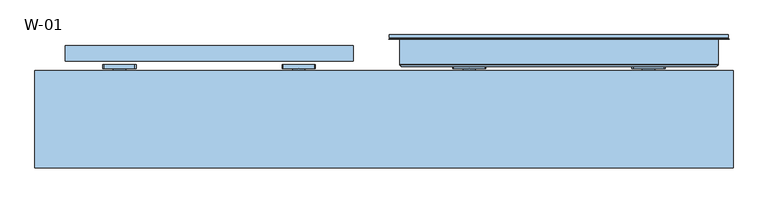
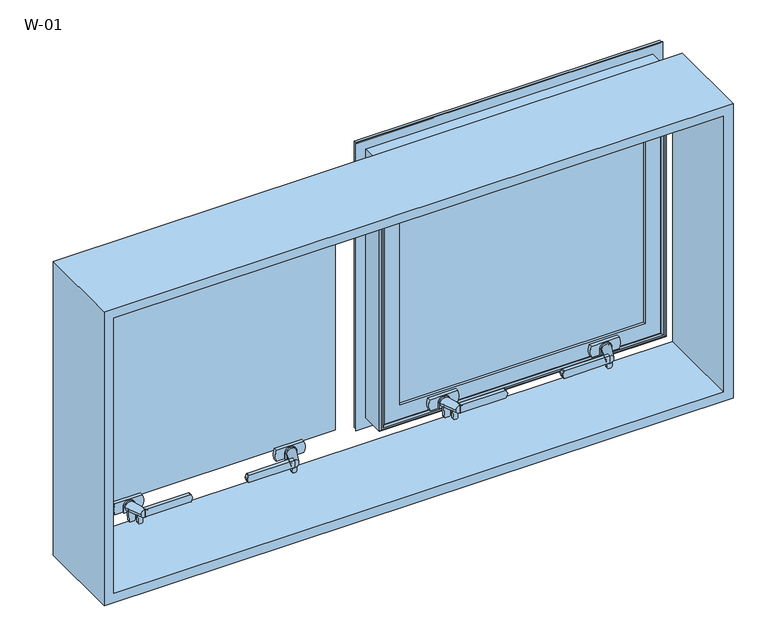
"""IFC4 building model written with IfcOpenShell, lengths in millimetres: window geometry, W-01."""

from ifc_helpers import new_model, si_unit, point, frame, frame_2d, origin, place, context, project, spatial, polyline, circle_curve, ellipse_curve, trimmed, segment, composite_curve, outline, extrude, source, transform, mapped, element, save
from ifc_brep_helpers import plane_surface, cylinder_surface, revolved_surface, spline_surface, advanced_brep


def w_01_85931f6c(model_context):
    return source(origin(), model_context, "Body", "SolidModel", [
        extrude(outline(polyline([(542.499811, 81.9927198), (52.6411352, 81.9927198), (52.6411352, 107.9927198), (542.499811, 107.9927198), (542.499811, 81.9927198)])), frame((0.0, 0.0, 1457.6411349), z_axis=(0.0, 0.0, 1.0), x_axis=(1.0, 0.0, 0.0)), (0.0, 0.0, 1.0), 484.7177303),
        extrude(outline(polyline([(1993.8, 593.8), (1993.8, -593.8), (1406.2, -593.8), (1406.2, 593.8), (1993.8, 593.8)]), holes=[polyline([(1424.7, 575.3), (1424.7, -575.3), (1975.3, -575.3), (1975.3, 575.3), (1424.7, 575.3)])]), frame((0.0, -100.0, 0.0), z_axis=(0.0, 1.0, 0.0), x_axis=(0.0, 0.0, 1.0)), (0.0, 0.0, 1.0), 165.9999813),
        extrude(outline(polyline([(-52.6410974, 81.9927198), (-542.3588256, 81.9927198), (-542.3588256, 107.9927198), (-52.6410974, 107.9927198), (-52.6410974, 81.9927198)])), frame((0.0, 0.0, 1457.6411349), z_axis=(0.0, 0.0, 1.0), x_axis=(1.0, 0.0, 0.0)), (0.0, 0.0, 1.0), 484.7177303),
        advanced_brep(
        [(65.6, 115.322822, 1929.3588651), (67.7424966, 107.9927198, 1927.2163686), (67.7424966, 107.9927198, 1472.7836314), (65.6, 115.322822, 1470.6411349), (65.6, 126.5999122, 1929.3588651), (65.6, 126.5999122, 1470.6411349), (45.6, 107.9927198, 1949.3588651), (45.6, 126.5999122, 1949.3588651), (45.6, 126.5999122, 1450.6411349), (45.6, 107.9927198, 1450.6411349), (527.2575034, 107.9927198, 1472.7836314), (529.4, 115.322822, 1470.6411349), (529.4, 126.5999122, 1470.6411349), (549.4, 126.5999122, 1450.6411349), (549.4, 107.9927198, 1450.6411349), (527.2575034, 107.9927198, 1927.2163686), (529.4, 115.322822, 1929.3588651), (529.4, 126.5999122, 1929.3588651), (549.4, 126.5999122, 1949.3588651), (549.4, 107.9927198, 1949.3588651)],
        [
            (0, 1, ellipse_curve(frame((85.2074117, 117.0756581, 1909.7514534), z_axis=(0.7071067811865475, 0.0, 0.7071067811865475), x_axis=(0.7071067811865474, 0.0, -0.7071067811865476)), 27.839649, 19.6856046)),
            (1, 2),
            (2, 3, ellipse_curve(frame((85.2074117, 117.0756581, 1490.2485466), z_axis=(0.7071067811865475, 0.0, -0.7071067811865475), x_axis=(-0.7071067811865474, 0.0, -0.7071067811865476)), 27.839649, 19.6856046)),
            (3, 0),
            (4, 0),
            (3, 5),
            (5, 4),
            (6, 7),
            (7, 8),
            (8, 9),
            (9, 6),
            (2, 10),
            (10, 11, ellipse_curve(frame((509.7925883, 117.0756581, 1490.2485466), z_axis=(0.7071067811865475, 0.0, 0.7071067811865475), x_axis=(0.7071067811865476, 0.0, -0.7071067811865474)), 27.839649, 19.6856046)),
            (11, 3),
            (11, 12),
            (12, 5),
            (8, 13),
            (13, 14),
            (14, 9),
            (10, 15),
            (15, 16, ellipse_curve(frame((509.7925883, 117.0756581, 1909.7514534), z_axis=(-0.7071067811865475, 0.0, 0.7071067811865475), x_axis=(0.7071067811865474, 0.0, 0.7071067811865476)), 27.839649, 19.6856046)),
            (16, 11),
            (16, 17),
            (17, 12),
            (13, 18),
            (18, 19),
            (19, 14),
            (19, 6),
            (1, 15),
            (0, 16),
            (4, 17),
            (7, 18),
        ],
        [
            revolved_surface(polyline([(65.52180709999999, 117.0756581, 1470.5629420062469), (65.52180709999999, 117.0756581, 1929.4370579937533)]), (85.2074117, 117.0756581, 1949.3588651), (0.0, 0.0, -1.0)),
            plane_surface(frame((65.6, 115.322822, 1929.3588651), z_axis=(1.0, 0.0, 0.0), x_axis=(0.0, 0.0, -1.0))),
            plane_surface(frame((45.6, 126.5999122, 1949.3588651), z_axis=(-1.0, 0.0, 0.0), x_axis=(0.0, 0.0, -1.0))),
            revolved_surface(polyline([(529.4781928937532, 117.0756581, 1470.562942), (65.52180710624671, 117.0756581, 1470.562942)]), (45.6, 117.0756581, 1490.2485466), (1.0, 0.0, 0.0)),
            plane_surface(frame((65.6, 115.322822, 1470.6411349), z_axis=(0.0, 0.0, 1.0), x_axis=(1.0, 0.0, 0.0))),
            plane_surface(frame((45.6, 126.5999122, 1450.6411349), z_axis=(0.0, 0.0, -1.0), x_axis=(1.0, 0.0, 0.0))),
            revolved_surface(polyline([(529.4781929, 117.0756581, 1929.4370579937531), (529.4781929, 117.0756581, 1470.5629420062469)]), (509.7925883, 117.0756581, 1450.6411349), (0.0, 0.0, 1.0)),
            plane_surface(frame((529.4, 115.322822, 1470.6411349), z_axis=(-1.0, 0.0, 0.0), x_axis=(0.0, 0.0, 1.0))),
            plane_surface(frame((549.4, 126.5999122, 1450.6411349), z_axis=(1.0, 0.0, 0.0), x_axis=(0.0, 0.0, 1.0))),
            plane_surface(frame((549.4, 107.9927198, 1949.3588651), z_axis=(0.0, -1.0, 0.0), x_axis=(-1.0, 0.0, 0.0))),
            revolved_surface(polyline([(65.52180710624668, 117.0756581, 1929.437058), (529.4781928937532, 117.0756581, 1929.437058)]), (549.4, 117.0756581, 1909.7514534), (-1.0, 0.0, 0.0)),
            plane_surface(frame((529.4, 115.322822, 1929.3588651), z_axis=(0.0, 0.0, -1.0), x_axis=(-1.0, 0.0, 0.0))),
            plane_surface(frame((529.4, 126.5999122, 1929.3588651), z_axis=(0.0, 1.0, 0.0), x_axis=(-1.0, 0.0, 0.0))),
            plane_surface(frame((549.4, 126.5999122, 1949.3588651), z_axis=(0.0, 0.0, 1.0), x_axis=(-1.0, 0.0, 0.0))),
        ],
        [
            (0, [[1, 2, 3, 4]]),
            (1, [[5, -4, 6, 7]]),
            (2, [[8, 9, 10, 11]]),
            (3, [[-3, 12, 13, 14]]),
            (4, [[-6, -14, 15, 16]]),
            (5, [[-10, 17, 18, 19]]),
            (6, [[-13, 20, 21, 22]]),
            (7, [[-15, -22, 23, 24]]),
            (8, [[-18, 25, 26, 27]]),
            (9, [[-19, -27, 28, -11], [29, -20, -12, -2]]),
            (10, [[-21, -29, -1, 30]]),
            (11, [[-23, -30, -5, 31]]),
            (12, [[32, -25, -17, -9], [-16, -24, -31, -7]]),
            (13, [[-26, -32, -8, -28]]),
        ],
    ),
        extrude(outline(composite_curve([segment(polyline([(1431.7, 441.567995), (1431.7, 444.432005)]), True, "CONTINUOUS"), segment(trimmed(circle_curve(frame_2d((1434.7, 444.432005)), 3.0), [point((1431.7, 444.432005))], [point((1434.5429921, 447.4278936))], False, "CARTESIAN"), True, "CONTINUOUS"), segment(polyline([(1434.5429921, 447.4278936), (1455.0, 448.5), (1455.0, 437.5), (1434.5429921, 438.5721064)]), True, "CONTINUOUS"), segment(trimmed(circle_curve(frame_2d((1434.7, 441.567995)), 3.0), [point((1434.5429921, 438.5721064))], [point((1431.7, 441.567995))], False, "CARTESIAN"), True, "CONTINUOUS")], self_intersect=False)), frame((0.0, 42.4999039, 0.0), z_axis=(0.0, 1.0, 0.0), x_axis=(0.0, 0.0, 1.0)), (0.0, 0.0, 1.0), 4.9),
        extrude(outline(composite_curve([segment(polyline([(1427.7, 446.2776261), (1427.7, 451.7223739)]), True, "CONTINUOUS"), segment(trimmed(circle_curve(frame_2d((1430.7, 451.7223739)), 3.0), [point((1427.7, 451.7223739))], [point((1430.5429921, 454.7182625))], False, "CARTESIAN"), True, "CONTINUOUS"), segment(polyline([(1430.5429921, 454.7182625), (1455.0, 456.0), (1455.0, 442.0), (1430.5429921, 443.2817375)]), True, "CONTINUOUS"), segment(trimmed(circle_curve(frame_2d((1430.7, 446.2776261)), 3.0), [point((1430.5429921, 443.2817375))], [point((1427.7, 446.2776261))], False, "CARTESIAN"), True, "CONTINUOUS")], self_intersect=False)), frame((0.0, 59.2999039, 0.0), z_axis=(0.0, 1.0, 0.0), x_axis=(0.0, 0.0, 1.0)), (0.0, 0.0, 1.0), 5.3),
        extrude(outline(composite_curve([segment(trimmed(circle_curve(frame_2d((1460.2, 353.2340659)), 2.0), [point((1462.2, 353.2340659))], [point((1460.9427814, 351.3771125))], False, "CARTESIAN"), True, "CONTINUOUS"), segment(polyline([(1460.9427814, 351.3771125), (1456.4855627, 349.5942251)]), True, "CONTINUOUS"), segment(trimmed(circle_curve(frame_2d((1455.0, 353.3081318)), 4.0), [point((1456.4855627, 349.5942251))], [point((1453.5144373, 349.5942251))], False, "CARTESIAN"), True, "CONTINUOUS"), segment(polyline([(1453.5144373, 349.5942251), (1449.0572186, 351.3771125)]), True, "CONTINUOUS"), segment(trimmed(circle_curve(frame_2d((1449.8, 353.2340659)), 2.0), [point((1449.0572186, 351.3771125))], [point((1447.8, 353.2340659))], False, "CARTESIAN"), True, "CONTINUOUS"), segment(polyline([(1447.8, 353.2340659), (1447.8, 439.0), (1462.2, 439.0), (1462.2, 353.2340659)]), True, "CONTINUOUS")], self_intersect=False)), frame((0.0, 34.5999039, 0.0), z_axis=(0.0, 1.0, 0.0), x_axis=(0.0, 0.0, 1.0)), (0.0, 0.0, 1.0), 7.0),
        extrude(outline(composite_curve([segment(trimmed(circle_curve(frame_2d((1455.0, 450.0)), 7.0), [point((1455.0, 457.0))], [point((1455.0, 443.0))], False, "CARTESIAN"), True, "CONTINUOUS"), segment(trimmed(circle_curve(frame_2d((1455.0, 450.0)), 7.0), [point((1455.0, 443.0))], [point((1455.0, 457.0))], False, "CARTESIAN"), True, "CONTINUOUS")], self_intersect=False)), frame((0.0, 64.5999039, 0.0), z_axis=(0.0, 1.0, 0.0), x_axis=(0.0, 0.0, 1.0)), (0.0, 0.0, 1.0), 1.5),
        advanced_brep(
        [(446.5, 34.5999039, 1455.0), (431.5, 34.5999039, 1455.0), (459.0, 64.5999039, 1455.0), (441.0, 64.5999039, 1455.0)],
        [
            (0, 1, circle_curve(frame((439.0, 34.5999039, 1455.0), z_axis=(0.0, -1.0, 0.0), x_axis=(-1.0, 0.0, 0.0)), 7.5)),
            (1, 0, circle_curve(frame((439.0, 34.5999039, 1455.0), z_axis=(0.0, -1.0, 0.0), x_axis=(-1.0, 0.0, 0.0)), 7.5)),
            (2, 3, circle_curve(frame((450.0, 64.5999039, 1455.0), z_axis=(0.0, 1.0, 0.0), x_axis=(-1.0, 0.0, 0.0)), 9.0)),
            (3, 2, circle_curve(frame((450.0, 64.5999039, 1455.0), z_axis=(0.0, 1.0, 0.0), x_axis=(-1.0, 0.0, 0.0)), 9.0)),
            (2, 0),
            (1, 3),
        ],
        [
            plane_surface(frame((439.0, 34.5999039, 1455.0), z_axis=(0.0, -1.0, 0.0), x_axis=(0.0, 0.0, -1.0))),
            plane_surface(frame((450.0, 64.5999039, 1455.0), z_axis=(0.0, 1.0, 0.0), x_axis=(0.0, 0.0, -1.0))),
            spline_surface(1, 2, [[(459.0, 64.5999039, 1455.0), (459.0, 64.5999039, 1446.0), (450.0, 64.5999039, 1446.0), (441.0, 64.5999039, 1446.0), (441.0, 64.5999039, 1455.0)], [(446.5, 34.5999039, 1455.0), (446.5, 34.5999039, 1447.5), (439.0, 34.5999039, 1447.5), (431.5, 34.5999039, 1447.5), (431.5, 34.5999039, 1455.0)]], [2, 2], [3, 2, 3], [0.0, 1.0], [0.0, 1.0, 2.0], weights=[[1.0, 0.7071067811865476, 1.0, 0.7071067811865476, 1.0], [1.0, 0.7071067811865476, 1.0, 0.7071067811865476, 1.0]]),
            spline_surface(1, 2, [[(441.0, 64.5999039, 1455.0), (441.0, 64.5999039, 1464.0), (450.0, 64.5999039, 1464.0), (459.0, 64.5999039, 1464.0), (459.0, 64.5999039, 1455.0)], [(431.5, 34.5999039, 1455.0), (431.5, 34.5999039, 1462.5), (439.0, 34.5999039, 1462.5), (446.5, 34.5999039, 1462.5), (446.5, 34.5999039, 1455.0)]], [2, 2], [3, 2, 3], [0.0, 1.0], [0.0, 1.0, 2.0], weights=[[1.0, 0.7071067811865476, 1.0, 0.7071067811865476, 1.0], [1.0, 0.7071067811865476, 1.0, 0.7071067811865476, 1.0]]),
        ],
        [
            (0, [[1, 2]]),
            (1, [[3, 4]]),
            (2, [[5, -2, 6, -3]]),
            (3, [[-6, -1, -5, -4]]),
        ],
    ),
        extrude(outline(composite_curve([segment(trimmed(circle_curve(frame_2d((1455.0, 450.0)), 10.6), [point((1455.0, 460.6))], [point((1455.0, 439.4))], False, "CARTESIAN"), True, "CONTINUOUS"), segment(polyline([(1455.0, 439.4), (1443.95, 439.4), (1443.95, 460.6), (1455.0, 460.6)]), True, "CONTINUOUS")], self_intersect=False)), frame((0.0, 66.0999039, 0.0), z_axis=(0.0, 1.0, 0.0), x_axis=(0.0, 0.0, 1.0)), (0.0, 0.0, 1.0), 2.8),
        extrude(outline(composite_curve([segment(polyline([(1443.95, 424.0), (1443.95, 476.0)]), True, "CONTINUOUS"), segment(trimmed(circle_curve(frame_2d((1455.0, 453.2967472)), 25.2495582), [point((1443.95, 476.0))], [point((1466.05, 476.0))], False, "CARTESIAN"), True, "CONTINUOUS"), segment(polyline([(1466.05, 476.0), (1466.05, 424.0)]), True, "CONTINUOUS"), segment(trimmed(circle_curve(frame_2d((1455.0, 446.7032528)), 25.2495582), [point((1466.05, 424.0))], [point((1443.95, 424.0))], False, "CARTESIAN"), True, "CONTINUOUS")], self_intersect=False)), frame((0.0, 68.8999039, 0.0), z_axis=(0.0, 1.0, 0.0), x_axis=(0.0, 0.0, 1.0)), (0.0, 0.0, 1.0), 6.7),
        extrude(outline(composite_curve([segment(trimmed(circle_curve(frame_2d((1434.7, 153.432005)), 3.0), [point((1431.7, 153.432005))], [point((1434.5429921, 156.4278936))], False, "CARTESIAN"), True, "CONTINUOUS"), segment(polyline([(1434.5429921, 156.4278936), (1455.0, 157.5), (1455.0, 146.5), (1434.5429921, 147.5721064)]), True, "CONTINUOUS"), segment(trimmed(circle_curve(frame_2d((1434.7, 150.567995)), 3.0), [point((1434.5429921, 147.5721064))], [point((1431.7, 150.567995))], False, "CARTESIAN"), True, "CONTINUOUS"), segment(polyline([(1431.7, 150.567995), (1431.7, 153.432005)]), True, "CONTINUOUS")], self_intersect=False)), frame((0.0, 42.4999039, 0.0), z_axis=(0.0, 1.0, 0.0), x_axis=(0.0, 0.0, 1.0)), (0.0, 0.0, 1.0), 4.9),
        extrude(outline(composite_curve([segment(trimmed(circle_curve(frame_2d((1430.7, 148.7223739)), 3.0), [point((1427.7, 148.7223739))], [point((1430.5429921, 151.7182625))], False, "CARTESIAN"), True, "CONTINUOUS"), segment(polyline([(1430.5429921, 151.7182625), (1455.0, 153.0), (1455.0, 139.0), (1430.5429921, 140.2817375)]), True, "CONTINUOUS"), segment(trimmed(circle_curve(frame_2d((1430.7, 143.2776261)), 3.0), [point((1430.5429921, 140.2817375))], [point((1427.7, 143.2776261))], False, "CARTESIAN"), True, "CONTINUOUS"), segment(polyline([(1427.7, 143.2776261), (1427.7, 148.7223739)]), True, "CONTINUOUS")], self_intersect=False)), frame((0.0, 59.2999039, 0.0), z_axis=(0.0, 1.0, 0.0), x_axis=(0.0, 0.0, 1.0)), (0.0, 0.0, 1.0), 5.3),
        extrude(outline(composite_curve([segment(polyline([(1462.2, 241.7659341), (1462.2, 156.0), (1447.8, 156.0), (1447.8, 241.7659341)]), True, "CONTINUOUS"), segment(trimmed(circle_curve(frame_2d((1449.8, 241.7659341)), 2.0), [point((1447.8, 241.7659341))], [point((1449.0572186, 243.6228875))], False, "CARTESIAN"), True, "CONTINUOUS"), segment(polyline([(1449.0572186, 243.6228875), (1453.5144373, 245.4057749)]), True, "CONTINUOUS"), segment(trimmed(circle_curve(frame_2d((1455.0, 241.6918682)), 4.0), [point((1453.5144373, 245.4057749))], [point((1456.4855627, 245.4057749))], False, "CARTESIAN"), True, "CONTINUOUS"), segment(polyline([(1456.4855627, 245.4057749), (1460.9427814, 243.6228875)]), True, "CONTINUOUS"), segment(trimmed(circle_curve(frame_2d((1460.2, 241.7659341)), 2.0), [point((1460.9427814, 243.6228875))], [point((1462.2, 241.7659341))], False, "CARTESIAN"), True, "CONTINUOUS")], self_intersect=False)), frame((0.0, 34.5999039, 0.0), z_axis=(0.0, 1.0, 0.0), x_axis=(0.0, 0.0, 1.0)), (0.0, 0.0, 1.0), 7.0),
        extrude(outline(composite_curve([segment(trimmed(circle_curve(frame_2d((1455.0, 145.0)), 7.0), [point((1455.0, 138.0))], [point((1455.0, 152.0))], False, "CARTESIAN"), True, "CONTINUOUS"), segment(trimmed(circle_curve(frame_2d((1455.0, 145.0)), 7.0), [point((1455.0, 152.0))], [point((1455.0, 138.0))], False, "CARTESIAN"), True, "CONTINUOUS")], self_intersect=False)), frame((0.0, 64.5999039, 0.0), z_axis=(0.0, 1.0, 0.0), x_axis=(0.0, 0.0, 1.0)), (0.0, 0.0, 1.0), 1.5),
        advanced_brep(
        [(148.5, 34.5999039, 1455.0), (163.5, 34.5999039, 1455.0), (136.0, 64.5999039, 1455.0), (154.0, 64.5999039, 1455.0)],
        [
            (0, 1, circle_curve(frame((156.0, 34.5999039, 1455.0), z_axis=(0.0, -1.0, 0.0), x_axis=(1.0, 0.0, 0.0)), 7.5)),
            (1, 0, circle_curve(frame((156.0, 34.5999039, 1455.0), z_axis=(0.0, -1.0, 0.0), x_axis=(1.0, 0.0, 0.0)), 7.5)),
            (2, 3, circle_curve(frame((145.0, 64.5999039, 1455.0), z_axis=(0.0, 1.0, 0.0), x_axis=(1.0, 0.0, 0.0)), 9.0)),
            (3, 2, circle_curve(frame((145.0, 64.5999039, 1455.0), z_axis=(0.0, 1.0, 0.0), x_axis=(1.0, 0.0, 0.0)), 9.0)),
            (3, 1),
            (0, 2),
        ],
        [
            plane_surface(frame((156.0, 34.5999039, 1455.0), z_axis=(0.0, -1.0, 0.0), x_axis=(0.0, 0.0, -1.0))),
            plane_surface(frame((145.0, 64.5999039, 1455.0), z_axis=(0.0, 1.0, 0.0), x_axis=(0.0, 0.0, -1.0))),
            spline_surface(2, 1, [[(136.0, 64.5999039, 1455.0), (148.5, 34.5999039, 1455.0)], [(136.0, 64.5999039, 1446.0), (148.5, 34.5999039, 1447.5)], [(145.0, 64.5999039, 1446.0), (156.0, 34.5999039, 1447.5)], [(154.0, 64.5999039, 1446.0), (163.5, 34.5999039, 1447.5)], [(154.0, 64.5999039, 1455.0), (163.5, 34.5999039, 1455.0)]], [3, 2, 3], [2, 2], [0.0, 1.0, 2.0], [0.0, 1.0], weights=[[1.0, 1.0], [0.7071067811865476, 0.7071067811865476], [1.0, 1.0], [0.7071067811865476, 0.7071067811865476], [1.0, 1.0]]),
            spline_surface(2, 1, [[(154.0, 64.5999039, 1455.0), (163.5, 34.5999039, 1455.0)], [(154.0, 64.5999039, 1464.0), (163.5, 34.5999039, 1462.5)], [(145.0, 64.5999039, 1464.0), (156.0, 34.5999039, 1462.5)], [(136.0, 64.5999039, 1464.0), (148.5, 34.5999039, 1462.5)], [(136.0, 64.5999039, 1455.0), (148.5, 34.5999039, 1455.0)]], [3, 2, 3], [2, 2], [0.0, 1.0, 2.0], [0.0, 1.0], weights=[[1.0, 1.0], [0.7071067811865476, 0.7071067811865476], [1.0, 1.0], [0.7071067811865476, 0.7071067811865476], [1.0, 1.0]]),
        ],
        [
            (0, [[1, 2]]),
            (1, [[3, 4]]),
            (2, [[-4, 5, -1, 6]]),
            (3, [[-3, -6, -2, -5]]),
        ],
    ),
        extrude(outline(composite_curve([segment(polyline([(1455.0, 134.4), (1443.95, 134.4), (1443.95, 155.6), (1455.0, 155.6)]), True, "CONTINUOUS"), segment(trimmed(circle_curve(frame_2d((1455.0, 145.0)), 10.6), [point((1455.0, 155.6))], [point((1455.0, 134.4))], False, "CARTESIAN"), True, "CONTINUOUS")], self_intersect=False)), frame((0.0, 66.0999039, 0.0), z_axis=(0.0, 1.0, 0.0), x_axis=(0.0, 0.0, 1.0)), (0.0, 0.0, 1.0), 2.8),
        extrude(outline(composite_curve([segment(trimmed(circle_curve(frame_2d((1455.0, 148.2967472)), 25.2495582), [point((1443.95, 171.0))], [point((1466.05, 171.0))], False, "CARTESIAN"), True, "CONTINUOUS"), segment(polyline([(1466.05, 171.0), (1466.05, 119.0)]), True, "CONTINUOUS"), segment(trimmed(circle_curve(frame_2d((1455.0, 141.7032528)), 25.2495582), [point((1466.05, 119.0))], [point((1443.95, 119.0))], False, "CARTESIAN"), True, "CONTINUOUS"), segment(polyline([(1443.95, 119.0), (1443.95, 171.0)]), True, "CONTINUOUS")], self_intersect=False)), frame((0.0, 68.8999039, 0.0), z_axis=(0.0, 1.0, 0.0), x_axis=(0.0, 0.0, 1.0)), (0.0, 0.0, 1.0), 6.7),
        advanced_brep(
        [(585.8588651, 121.9999121, 1985.8588651), (585.8588651, 121.9999121, 1414.1411349), (585.8588651, 126.5999121, 1414.1411349), (585.8588651, 126.5999121, 1985.8588651), (9.1411349, 126.5999121, 1985.8588651), (9.1411349, 126.5999121, 1414.1411349), (549.3588651, 126.5999121, 1949.3588651), (45.6411349, 126.5999121, 1949.3588651), (45.6411349, 126.5999121, 1450.6411349), (549.3588651, 126.5999121, 1450.6411349), (9.1411349, 121.9999121, 1414.1411349), (9.1411349, 121.9999121, 1985.8588651), (11.2462336, 121.9999121, 1983.7537664), (583.7537664, 121.9999121, 1983.7537664), (583.7537664, 121.9999121, 1416.2462336), (11.2462336, 121.9999121, 1416.2462336), (586.4637148, 119.9946866, 1986.4637148), (586.4637148, 119.9946866, 1413.5362852), (8.5362852, 119.9946866, 1413.5362852), (587.2086873, 118.9999537, 1987.2086873), (587.2086873, 118.9999537, 1412.7913127), (7.7913127, 118.9999537, 1412.7913127), (7.7913127, 118.9999537, 1987.2086873), (26.6411322, 118.9999537, 1968.3588678), (568.3588678, 118.9999537, 1968.3588678), (568.3588678, 118.9999537, 1431.6411322), (26.6411322, 118.9999537, 1431.6411322), (568.3588678, 76.0999005, 1968.3588678), (568.3588678, 76.0999005, 1431.6411322), (26.6411322, 76.0999005, 1431.6411322), (567.8588679, 75.5999006, 1967.8588679), (567.8588679, 75.5999006, 1432.1411321), (27.1411321, 75.5999006, 1432.1411321), (568.144223, 74.6078271, 1968.144223), (568.144223, 74.6078271, 1431.855777), (26.855777, 74.6078271, 1431.855777), (565.4347904, 72.6034445, 1965.4347904), (565.4347904, 72.6034445, 1434.5652096), (29.5652096, 72.6034445, 1434.5652096), (29.5652096, 72.6034445, 1965.4347904), (32.9650333, 72.6034445, 1962.0349667), (562.0349667, 72.6034445, 1962.0349667), (562.0349667, 72.6034445, 1437.9650333), (32.9650333, 72.6034445, 1437.9650333), (558.8054323, 74.6078271, 1958.8054323), (558.8054323, 74.6078271, 1441.1945677), (36.1945677, 74.6078271, 1441.1945677), (558.340576, 75.5999039, 1958.340576), (558.340576, 75.5999039, 1441.659424), (36.659424, 75.5999039, 1441.659424), (36.659424, 75.5999039, 1958.340576), (65.6411291, 75.5999039, 1929.3588709), (529.3588709, 75.5999039, 1929.3588709), (529.3588709, 75.5999039, 1470.6411291), (65.6411291, 75.5999039, 1470.6411291), (529.3588709, 80.1999039, 1929.3588709), (529.3588709, 80.1999039, 1470.6411291), (65.6411291, 80.1999039, 1470.6411291), (45.6411349, 80.1999039, 1949.3588651), (549.3588651, 80.1999039, 1949.3588651), (549.3588651, 80.1999039, 1450.6411349), (45.6411349, 80.1999039, 1450.6411349), (65.6411291, 80.1999039, 1929.3588709), (8.5362852, 119.9946866, 1986.4637148), (26.6411322, 76.0999005, 1968.3588678), (27.1411321, 75.5999006, 1967.8588679), (26.855777, 74.6078271, 1968.144223), (36.1945677, 74.6078271, 1958.8054323)],
        [
            (0, 1),
            (1, 2),
            (2, 3),
            (3, 0),
            (4, 3),
            (2, 5),
            (5, 4),
            (6, 7),
            (7, 8),
            (8, 9),
            (9, 6),
            (1, 10),
            (10, 5),
            (0, 11),
            (11, 10),
            (12, 13),
            (13, 14),
            (14, 15),
            (15, 12),
            (16, 17),
            (17, 14, ellipse_curve(frame((587.5848432, 124.3436113, 1412.4151568), z_axis=(-0.7071067811865475, 0.0, -0.7071067811865475), x_axis=(0.7071067811865474, 0.0, -0.7071067811865476)), 6.3513896, 4.4911107)),
            (13, 16, ellipse_curve(frame((587.5848432, 124.3436113, 1987.5848432), z_axis=(-0.7071067811865475, 0.0, 0.7071067811865475), x_axis=(-0.7071067811865474, 0.0, -0.7071067811865476)), 6.3513896, 4.4911107)),
            (17, 18),
            (18, 15, ellipse_curve(frame((7.4151568, 124.3436113, 1412.4151568), z_axis=(-0.7071067811865475, 0.0, 0.7071067811865475), x_axis=(-0.7071067811865476, 0.0, -0.7071067811865474)), 6.3513896, 4.4911107)),
            (19, 20),
            (20, 17),
            (16, 19),
            (20, 21),
            (21, 18),
            (19, 22),
            (22, 21),
            (23, 24),
            (24, 25),
            (25, 26),
            (26, 23),
            (27, 28),
            (28, 25),
            (24, 27),
            (28, 29),
            (29, 26),
            (30, 31),
            (31, 28, ellipse_curve(frame((567.8588679, 76.0999005, 1432.1411321), z_axis=(0.7071067811865475, 0.0, 0.7071067811865475), x_axis=(-0.7071067811865474, 0.0, 0.7071067811865476)), 0.7071066, 0.4999999)),
            (27, 30, ellipse_curve(frame((567.8588679, 76.0999005, 1967.8588679), z_axis=(0.7071067811865475, 0.0, -0.7071067811865475), x_axis=(0.7071067811865474, 0.0, 0.7071067811865476)), 0.7071066, 0.4999999)),
            (31, 32),
            (32, 29, ellipse_curve(frame((27.1411321, 76.0999005, 1432.1411321), z_axis=(0.7071067811865475, 0.0, -0.7071067811865475), x_axis=(0.7071067811865476, 0.0, 0.7071067811865474)), 0.7071066, 0.4999999)),
            (33, 34),
            (34, 31),
            (30, 33),
            (34, 35),
            (35, 32),
            (36, 37),
            (37, 34, ellipse_curve(frame((569.2653514, 70.2589024, 1430.7346486), z_axis=(-0.7071067811865475, 0.0, -0.7071067811865475), x_axis=(0.7071067811865474, 0.0, -0.7071067811865476)), 6.3513896, 4.4911107)),
            (33, 36, ellipse_curve(frame((569.2653514, 70.2589024, 1969.2653514), z_axis=(-0.7071067811865475, 0.0, 0.7071067811865475), x_axis=(-0.7071067811865474, 0.0, -0.7071067811865476)), 6.3513896, 4.4911107)),
            (37, 38),
            (38, 35, ellipse_curve(frame((25.7346486, 70.2589024, 1430.7346486), z_axis=(-0.7071067811865475, 0.0, 0.7071067811865475), x_axis=(-0.7071067811865476, 0.0, -0.7071067811865474)), 6.3513896, 4.4911107)),
            (36, 39),
            (39, 38),
            (40, 41),
            (41, 42),
            (42, 43),
            (43, 40),
            (44, 45),
            (45, 42, ellipse_curve(frame((558.5540914, 70.5988943, 1441.4459086), z_axis=(-0.7071067811865475, 0.0, -0.7071067811865475), x_axis=(0.7071067811865474, 0.0, -0.7071067811865476)), 5.6806187, 4.016804)),
            (41, 44, ellipse_curve(frame((558.5540914, 70.5988943, 1958.5540914), z_axis=(-0.7071067811865475, 0.0, 0.7071067811865475), x_axis=(-0.7071067811865474, 0.0, -0.7071067811865476)), 5.6806187, 4.016804)),
            (45, 46),
            (46, 43, ellipse_curve(frame((36.4459086, 70.5988943, 1441.4459086), z_axis=(-0.7071067811865475, 0.0, 0.7071067811865475), x_axis=(-0.7071067811865476, 0.0, -0.7071067811865474)), 5.6806187, 4.016804)),
            (47, 48),
            (48, 45),
            (44, 47),
            (48, 49),
            (49, 46),
            (47, 50),
            (50, 49),
            (51, 52),
            (52, 53),
            (53, 54),
            (54, 51),
            (55, 56),
            (56, 53),
            (52, 55),
            (56, 57),
            (57, 54),
            (58, 59),
            (59, 60),
            (60, 61),
            (61, 58),
            (55, 62),
            (62, 57),
            (9, 60),
            (59, 6),
            (8, 61),
            (11, 4),
            (18, 63),
            (63, 12, ellipse_curve(frame((7.4151568, 124.3436113, 1987.5848432), z_axis=(0.7071067811865475, 0.0, 0.7071067811865475), x_axis=(-0.7071067811865474, 0.0, 0.7071067811865476)), 6.3513896, 4.4911107)),
            (22, 63),
            (29, 64),
            (64, 23),
            (32, 65),
            (65, 64, ellipse_curve(frame((27.1411321, 76.0999005, 1967.8588679), z_axis=(-0.7071067811865475, 0.0, -0.7071067811865475), x_axis=(0.7071067811865474, 0.0, -0.7071067811865476)), 0.7071066, 0.4999999)),
            (35, 66),
            (66, 65),
            (39, 66, ellipse_curve(frame((25.7346486, 70.2589024, 1969.2653514), z_axis=(0.7071067811865475, 0.0, 0.7071067811865475), x_axis=(-0.7071067811865474, 0.0, 0.7071067811865476)), 6.3513896, 4.4911107)),
            (46, 67),
            (67, 40, ellipse_curve(frame((36.4459086, 70.5988943, 1958.5540914), z_axis=(0.7071067811865475, 0.0, 0.7071067811865475), x_axis=(-0.7071067811865474, 0.0, 0.7071067811865476)), 5.6806187, 4.016804)),
            (50, 67),
            (62, 51),
            (7, 58),
            (63, 16),
            (64, 27),
            (65, 30),
            (66, 33),
            (67, 44),
        ],
        [
            plane_surface(frame((585.8588651, 126.5999121, 1985.8588651), z_axis=(1.0, 0.0, 0.0), x_axis=(0.0, 0.0, -1.0))),
            plane_surface(frame((45.6411349, 126.5999121, 1450.6411349), z_axis=(0.0, 1.0, 0.0), x_axis=(0.0, 0.0, 1.0))),
            plane_surface(frame((585.8588651, 126.5999121, 1414.1411349), z_axis=(0.0, 0.0, -1.0), x_axis=(-1.0, 0.0, 0.0))),
            plane_surface(frame((9.1411349, 121.9999121, 1414.1411349), z_axis=(0.0, -1.0, 0.0), x_axis=(0.0, 0.0, 1.0))),
            revolved_surface(polyline([(592.0759539000001, 124.3436113, 1407.9240461438822), (592.0759539000001, 124.3436113, 1992.0759538561178)]), (587.5848432, 124.3436113, 2000.0), (0.0, 0.0, -1.0)),
            revolved_surface(polyline([(2.924046143882265, 124.3436113, 1407.9240461), (592.0759538561177, 124.3436113, 1407.9240461)]), (600.0, 124.3436113, 1412.4151568), (-1.0, 0.0, 0.0)),
            plane_surface(frame((586.4637148, 119.9946866, 1986.4637148), z_axis=(0.8004158635848707, 0.5994451145198247, 0.0), x_axis=(0.0, 0.0, -1.0))),
            plane_surface(frame((586.4637148, 119.9946866, 1413.5362852), z_axis=(0.0, 0.5994451145198296, -0.800415863584867), x_axis=(-1.0, 0.0, 0.0))),
            plane_surface(frame((7.7913127, 118.9999537, 1412.7913127), z_axis=(0.0, -1.0, 0.0), x_axis=(0.0, 0.0, 1.0))),
            plane_surface(frame((568.3588678, 118.9999537, 1968.3588678), z_axis=(1.0, 0.0, 0.0), x_axis=(0.0, 0.0, -1.0))),
            plane_surface(frame((568.3588678, 118.9999537, 1431.6411322), z_axis=(0.0, 0.0, -1.0), x_axis=(-1.0, 0.0, 0.0))),
            cylinder_surface(frame((567.8588679, 76.0999005, 2000.0), z_axis=(0.0, 0.0, 1.0), x_axis=(1.0, 0.0, 0.0)), 0.4999999),
            cylinder_surface(frame((600.0, 76.0999005, 1432.1411321), z_axis=(1.0, 0.0, 0.0), x_axis=(0.0, 0.0, -1.0)), 0.4999999),
            plane_surface(frame((567.8588679, 75.5999006, 1967.8588679), z_axis=(0.9610348327667624, 0.27642729642522856, 0.0), x_axis=(0.0, 0.0, -1.0))),
            plane_surface(frame((567.8588679, 75.5999006, 1432.1411321), z_axis=(0.0, 0.27642729642523445, -0.9610348327667607), x_axis=(-1.0, 0.0, 0.0))),
            revolved_surface(polyline([(573.7564621, 70.2589024, 1426.243537943882), (573.7564621, 70.2589024, 1973.756462056118)]), (569.2653514, 70.2589024, 2000.0), (0.0, 0.0, -1.0)),
            revolved_surface(polyline([(21.243537943882302, 70.2589024, 1426.2435378999999), (573.7564620561177, 70.2589024, 1426.2435378999999)]), (600.0, 70.2589024, 1430.7346486), (-1.0, 0.0, 0.0)),
            plane_surface(frame((29.5652096, 72.6034445, 1434.5652096), z_axis=(0.0, -1.0, 0.0), x_axis=(0.0, 0.0, 1.0))),
            revolved_surface(polyline([(562.5708953999999, 70.5988943, 1437.4291045958948), (562.5708953999999, 70.5988943, 1962.5708954041052)]), (558.5540914, 70.5988943, 2000.0), (0.0, 0.0, -1.0)),
            revolved_surface(polyline([(32.429104595894955, 70.5988943, 1437.4291045999998), (562.570895404105, 70.5988943, 1437.4291045999998)]), (600.0, 70.5988943, 1441.4459086), (-1.0, 0.0, 0.0)),
            plane_surface(frame((558.8054323, 74.6078271, 1958.8054323), z_axis=(-0.9055219642805072, -0.4242993898246519, 0.0), x_axis=(0.0, 0.0, -1.0))),
            plane_surface(frame((558.8054323, 74.6078271, 1441.1945677), z_axis=(0.0, -0.4242993898246574, 0.9055219642805047), x_axis=(-1.0, 0.0, 0.0))),
            plane_surface(frame((36.659424, 75.5999039, 1441.659424), z_axis=(0.0, -1.0, 0.0), x_axis=(0.0, 0.0, 1.0))),
            plane_surface(frame((529.3588709, 75.5999039, 1929.3588709), z_axis=(-1.0, 0.0, 0.0), x_axis=(0.0, 0.0, -1.0))),
            plane_surface(frame((529.3588709, 75.5999039, 1470.6411291), z_axis=(0.0, 0.0, 1.0), x_axis=(-1.0, 0.0, 0.0))),
            plane_surface(frame((65.6411291, 80.1999039, 1470.6411291), z_axis=(0.0, 1.0, 0.0), x_axis=(0.0, 0.0, 1.0))),
            plane_surface(frame((549.3588651, 80.1999039, 1949.3588651), z_axis=(-1.0, 0.0, 0.0), x_axis=(0.0, 0.0, -1.0))),
            plane_surface(frame((549.3588651, 80.1999039, 1450.6411349), z_axis=(0.0, 0.0, 1.0), x_axis=(-1.0, 0.0, 0.0))),
            plane_surface(frame((9.1411349, 126.5999121, 1414.1411349), z_axis=(-1.0, 0.0, 0.0), x_axis=(0.0, 0.0, 1.0))),
            revolved_surface(polyline([(2.9240461, 124.3436113, 1992.0759538561178), (2.9240461, 124.3436113, 1407.9240461438822)]), (7.4151568, 124.3436113, 1400.0), (0.0, 0.0, 1.0)),
            plane_surface(frame((8.5362852, 119.9946866, 1413.5362852), z_axis=(-0.8004158635848634, 0.5994451145198345, 0.0), x_axis=(0.0, 0.0, 1.0))),
            plane_surface(frame((26.6411322, 118.9999537, 1431.6411322), z_axis=(-1.0, 0.0, 0.0), x_axis=(0.0, 0.0, 1.0))),
            cylinder_surface(frame((27.1411321, 76.0999005, 1400.0), z_axis=(0.0, 0.0, -1.0), x_axis=(-1.0, 0.0, 0.0)), 0.4999999),
            plane_surface(frame((27.1411321, 75.5999006, 1432.1411321), z_axis=(-0.961034832766759, 0.27642729642524033, 0.0), x_axis=(0.0, 0.0, 1.0))),
            revolved_surface(polyline([(21.2435379, 70.2589024, 1973.756462056118), (21.2435379, 70.2589024, 1426.243537943882)]), (25.7346486, 70.2589024, 1400.0), (0.0, 0.0, 1.0)),
            revolved_surface(polyline([(32.4291046, 70.5988943, 1962.5708954041052), (32.4291046, 70.5988943, 1437.4291045958948)]), (36.4459086, 70.5988943, 1400.0), (0.0, 0.0, 1.0)),
            plane_surface(frame((36.1945677, 74.6078271, 1441.1945677), z_axis=(0.9055219642805021, -0.424299389824663, 0.0), x_axis=(0.0, 0.0, 1.0))),
            plane_surface(frame((65.6411291, 75.5999039, 1470.6411291), z_axis=(1.0, 0.0, 0.0), x_axis=(0.0, 0.0, 1.0))),
            plane_surface(frame((45.6411349, 80.1999039, 1450.6411349), z_axis=(1.0, 0.0, 0.0), x_axis=(0.0, 0.0, 1.0))),
            plane_surface(frame((9.1411349, 126.5999121, 1985.8588651), z_axis=(0.0, 0.0, 1.0), x_axis=(1.0, 0.0, 0.0))),
            revolved_surface(polyline([(592.0759538561177, 124.3436113, 1992.0759539), (2.924046143882287, 124.3436113, 1992.0759539)]), (-5.0, 124.3436113, 1987.5848432), (1.0, 0.0, 0.0)),
            plane_surface(frame((8.5362852, 119.9946866, 1986.4637148), z_axis=(0.0, 0.5994451145198296, 0.800415863584867), x_axis=(1.0, 0.0, 0.0))),
            plane_surface(frame((26.6411322, 118.9999537, 1968.3588678), z_axis=(0.0, 0.0, 1.0), x_axis=(1.0, 0.0, 0.0))),
            cylinder_surface(frame((-5.0, 76.0999005, 1967.8588679), z_axis=(-1.0, 0.0, 0.0), x_axis=(0.0, 0.0, 1.0)), 0.4999999),
            plane_surface(frame((27.1411321, 75.5999006, 1967.8588679), z_axis=(0.0, 0.27642729642523445, 0.9610348327667607), x_axis=(1.0, 0.0, 0.0))),
            revolved_surface(polyline([(573.7564620561177, 70.2589024, 1973.7564621000001), (21.243537943882288, 70.2589024, 1973.7564621000001)]), (-5.0, 70.2589024, 1969.2653514), (1.0, 0.0, 0.0)),
            revolved_surface(polyline([(562.570895404105, 70.5988943, 1962.5708954000002), (32.42910459589489, 70.5988943, 1962.5708954000002)]), (-5.0, 70.5988943, 1958.5540914), (1.0, 0.0, 0.0)),
            plane_surface(frame((36.1945677, 74.6078271, 1958.8054323), z_axis=(0.0, -0.4242993898246574, -0.9055219642805047), x_axis=(1.0, 0.0, 0.0))),
            plane_surface(frame((65.6411291, 75.5999039, 1929.3588709), z_axis=(0.0, 0.0, -1.0), x_axis=(1.0, 0.0, 0.0))),
            plane_surface(frame((45.6411349, 80.1999039, 1949.3588651), z_axis=(0.0, 0.0, -1.0), x_axis=(1.0, 0.0, 0.0))),
        ],
        [
            (0, [[1, 2, 3, 4]]),
            (1, [[5, -3, 6, 7], [8, 9, 10, 11]]),
            (2, [[12, 13, -6, -2]]),
            (3, [[14, 15, -12, -1], [16, 17, 18, 19]]),
            (4, [[20, 21, -17, 22]]),
            (5, [[23, 24, -18, -21]]),
            (6, [[25, 26, -20, 27]]),
            (7, [[28, 29, -23, -26]]),
            (8, [[30, 31, -28, -25], [32, 33, 34, 35]]),
            (9, [[36, 37, -33, 38]]),
            (10, [[39, 40, -34, -37]]),
            (11, [[41, 42, -36, 43]]),
            (12, [[44, 45, -39, -42]]),
            (13, [[46, 47, -41, 48]]),
            (14, [[49, 50, -44, -47]]),
            (15, [[51, 52, -46, 53]]),
            (16, [[54, 55, -49, -52]]),
            (17, [[56, 57, -54, -51], [58, 59, 60, 61]]),
            (18, [[62, 63, -59, 64]]),
            (19, [[65, 66, -60, -63]]),
            (20, [[67, 68, -62, 69]]),
            (21, [[70, 71, -65, -68]]),
            (22, [[72, 73, -70, -67], [74, 75, 76, 77]]),
            (23, [[78, 79, -75, 80]]),
            (24, [[81, 82, -76, -79]]),
            (25, [[83, 84, 85, 86], [87, 88, -81, -78]]),
            (26, [[-11, 89, -84, 90]]),
            (27, [[-10, 91, -85, -89]]),
            (28, [[-15, 92, -7, -13]]),
            (29, [[93, 94, -19, -24]]),
            (30, [[-31, 95, -93, -29]]),
            (31, [[96, 97, -35, -40]]),
            (32, [[98, 99, -96, -45]]),
            (33, [[100, 101, -98, -50]]),
            (34, [[-57, 102, -100, -55]]),
            (35, [[103, 104, -61, -66]]),
            (36, [[-73, 105, -103, -71]]),
            (37, [[-88, 106, -77, -82]]),
            (38, [[-9, 107, -86, -91]]),
            (39, [[-14, -4, -5, -92]]),
            (40, [[108, -22, -16, -94]]),
            (41, [[-30, -27, -108, -95]]),
            (42, [[109, -38, -32, -97]]),
            (43, [[110, -43, -109, -99]]),
            (44, [[111, -48, -110, -101]]),
            (45, [[-56, -53, -111, -102]]),
            (46, [[112, -64, -58, -104]]),
            (47, [[-72, -69, -112, -105]]),
            (48, [[-87, -80, -74, -106]]),
            (49, [[-8, -90, -83, -107]]),
        ],
    ),
        extrude(outline(composite_curve([segment(polyline([(1431.7, -153.432005), (1431.7, -150.567995)]), True, "CONTINUOUS"), segment(trimmed(circle_curve(frame_2d((1434.7, -150.567995)), 3.0), [point((1431.7, -150.567995))], [point((1434.5429921, -147.5721064))], False, "CARTESIAN"), True, "CONTINUOUS"), segment(polyline([(1434.5429921, -147.5721064), (1455.0, -146.5), (1455.0, -157.5), (1434.5429921, -156.4278936)]), True, "CONTINUOUS"), segment(trimmed(circle_curve(frame_2d((1434.7, -153.432005)), 3.0), [point((1434.5429921, -156.4278936))], [point((1431.7, -153.432005))], False, "CARTESIAN"), True, "CONTINUOUS")], self_intersect=False)), frame((0.0, 42.4999039, 0.0), z_axis=(0.0, 1.0, 0.0), x_axis=(0.0, 0.0, 1.0)), (0.0, 0.0, 1.0), 4.9),
        extrude(outline(composite_curve([segment(polyline([(1427.7, -148.7223739), (1427.7, -143.2776261)]), True, "CONTINUOUS"), segment(trimmed(circle_curve(frame_2d((1430.7, -143.2776261)), 3.0), [point((1427.7, -143.2776261))], [point((1430.5429921, -140.2817375))], False, "CARTESIAN"), True, "CONTINUOUS"), segment(polyline([(1430.5429921, -140.2817375), (1455.0, -139.0), (1455.0, -153.0), (1430.5429921, -151.7182625)]), True, "CONTINUOUS"), segment(trimmed(circle_curve(frame_2d((1430.7, -148.7223739)), 3.0), [point((1430.5429921, -151.7182625))], [point((1427.7, -148.7223739))], False, "CARTESIAN"), True, "CONTINUOUS")], self_intersect=False)), frame((0.0, 59.2999039, 0.0), z_axis=(0.0, 1.0, 0.0), x_axis=(0.0, 0.0, 1.0)), (0.0, 0.0, 1.0), 5.3),
        extrude(outline(composite_curve([segment(trimmed(circle_curve(frame_2d((1460.2, -241.7659341)), 2.0), [point((1462.2, -241.7659341))], [point((1460.9427814, -243.6228875))], False, "CARTESIAN"), True, "CONTINUOUS"), segment(polyline([(1460.9427814, -243.6228875), (1456.4855627, -245.4057749)]), True, "CONTINUOUS"), segment(trimmed(circle_curve(frame_2d((1455.0, -241.6918682)), 4.0), [point((1456.4855627, -245.4057749))], [point((1453.5144373, -245.4057749))], False, "CARTESIAN"), True, "CONTINUOUS"), segment(polyline([(1453.5144373, -245.4057749), (1449.0572186, -243.6228875)]), True, "CONTINUOUS"), segment(trimmed(circle_curve(frame_2d((1449.8, -241.7659341)), 2.0), [point((1449.0572186, -243.6228875))], [point((1447.8, -241.7659341))], False, "CARTESIAN"), True, "CONTINUOUS"), segment(polyline([(1447.8, -241.7659341), (1447.8, -156.0), (1462.2, -156.0), (1462.2, -241.7659341)]), True, "CONTINUOUS")], self_intersect=False)), frame((0.0, 34.5999039, 0.0), z_axis=(0.0, 1.0, 0.0), x_axis=(0.0, 0.0, 1.0)), (0.0, 0.0, 1.0), 7.0),
        extrude(outline(composite_curve([segment(trimmed(circle_curve(frame_2d((1455.0, -145.0)), 7.0), [point((1455.0, -138.0))], [point((1455.0, -152.0))], False, "CARTESIAN"), True, "CONTINUOUS"), segment(trimmed(circle_curve(frame_2d((1455.0, -145.0)), 7.0), [point((1455.0, -152.0))], [point((1455.0, -138.0))], False, "CARTESIAN"), True, "CONTINUOUS")], self_intersect=False)), frame((0.0, 64.5999039, 0.0), z_axis=(0.0, 1.0, 0.0), x_axis=(0.0, 0.0, 1.0)), (0.0, 0.0, 1.0), 1.5),
        advanced_brep(
        [(-148.5, 34.5999039, 1455.0), (-163.5, 34.5999039, 1455.0), (-136.0, 64.5999039, 1455.0), (-154.0, 64.5999039, 1455.0)],
        [
            (0, 1, circle_curve(frame((-156.0, 34.5999039, 1455.0), z_axis=(0.0, -1.0, 0.0), x_axis=(-1.0, 0.0, 0.0)), 7.5)),
            (1, 0, circle_curve(frame((-156.0, 34.5999039, 1455.0), z_axis=(0.0, -1.0, 0.0), x_axis=(-1.0, 0.0, 0.0)), 7.5)),
            (2, 3, circle_curve(frame((-145.0, 64.5999039, 1455.0), z_axis=(0.0, 1.0, 0.0), x_axis=(-1.0, 0.0, 0.0)), 9.0)),
            (3, 2, circle_curve(frame((-145.0, 64.5999039, 1455.0), z_axis=(0.0, 1.0, 0.0), x_axis=(-1.0, 0.0, 0.0)), 9.0)),
            (2, 0),
            (1, 3),
        ],
        [
            plane_surface(frame((-156.0, 34.5999039, 1455.0), z_axis=(0.0, -1.0, 0.0), x_axis=(0.0, 0.0, -1.0))),
            plane_surface(frame((-145.0, 64.5999039, 1455.0), z_axis=(0.0, 1.0, 0.0), x_axis=(0.0, 0.0, -1.0))),
            spline_surface(1, 2, [[(-136.0, 64.5999039, 1455.0), (-136.0, 64.5999039, 1446.0), (-145.0, 64.5999039, 1446.0), (-154.0, 64.5999039, 1446.0), (-154.0, 64.5999039, 1455.0)], [(-148.5, 34.5999039, 1455.0), (-148.5, 34.5999039, 1447.5), (-156.0, 34.5999039, 1447.5), (-163.5, 34.5999039, 1447.5), (-163.5, 34.5999039, 1455.0)]], [2, 2], [3, 2, 3], [0.0, 1.0], [0.0, 1.0, 2.0], weights=[[1.0, 0.7071067811865476, 1.0, 0.7071067811865476, 1.0], [1.0, 0.7071067811865476, 1.0, 0.7071067811865476, 1.0]]),
            spline_surface(1, 2, [[(-154.0, 64.5999039, 1455.0), (-154.0, 64.5999039, 1464.0), (-145.0, 64.5999039, 1464.0), (-136.0, 64.5999039, 1464.0), (-136.0, 64.5999039, 1455.0)], [(-163.5, 34.5999039, 1455.0), (-163.5, 34.5999039, 1462.5), (-156.0, 34.5999039, 1462.5), (-148.5, 34.5999039, 1462.5), (-148.5, 34.5999039, 1455.0)]], [2, 2], [3, 2, 3], [0.0, 1.0], [0.0, 1.0, 2.0], weights=[[1.0, 0.7071067811865476, 1.0, 0.7071067811865476, 1.0], [1.0, 0.7071067811865476, 1.0, 0.7071067811865476, 1.0]]),
        ],
        [
            (0, [[1, 2]]),
            (1, [[3, 4]]),
            (2, [[5, -2, 6, -3]]),
            (3, [[-6, -1, -5, -4]]),
        ],
    ),
        extrude(outline(composite_curve([segment(trimmed(circle_curve(frame_2d((1455.0, -145.0)), 10.6), [point((1455.0, -134.4))], [point((1455.0, -155.6))], False, "CARTESIAN"), True, "CONTINUOUS"), segment(polyline([(1455.0, -155.6), (1443.95, -155.6), (1443.95, -134.4), (1455.0, -134.4)]), True, "CONTINUOUS")], self_intersect=False)), frame((0.0, 66.0999039, 0.0), z_axis=(0.0, 1.0, 0.0), x_axis=(0.0, 0.0, 1.0)), (0.0, 0.0, 1.0), 2.8),
        extrude(outline(composite_curve([segment(polyline([(1443.95, -171.0), (1443.95, -119.0)]), True, "CONTINUOUS"), segment(trimmed(circle_curve(frame_2d((1455.0, -141.7032528)), 25.2495582), [point((1443.95, -119.0))], [point((1466.05, -119.0))], False, "CARTESIAN"), True, "CONTINUOUS"), segment(polyline([(1466.05, -119.0), (1466.05, -171.0)]), True, "CONTINUOUS"), segment(trimmed(circle_curve(frame_2d((1455.0, -148.2967472)), 25.2495582), [point((1466.05, -171.0))], [point((1443.95, -171.0))], False, "CARTESIAN"), True, "CONTINUOUS")], self_intersect=False)), frame((0.0, 68.8999039, 0.0), z_axis=(0.0, 1.0, 0.0), x_axis=(0.0, 0.0, 1.0)), (0.0, 0.0, 1.0), 6.7),
        extrude(outline(composite_curve([segment(trimmed(circle_curve(frame_2d((1434.7, -441.567995)), 3.0), [point((1431.7, -441.567995))], [point((1434.5429921, -438.5721064))], False, "CARTESIAN"), True, "CONTINUOUS"), segment(polyline([(1434.5429921, -438.5721064), (1455.0, -437.5), (1455.0, -448.5), (1434.5429921, -447.4278936)]), True, "CONTINUOUS"), segment(trimmed(circle_curve(frame_2d((1434.7, -444.432005)), 3.0), [point((1434.5429921, -447.4278936))], [point((1431.7, -444.432005))], False, "CARTESIAN"), True, "CONTINUOUS"), segment(polyline([(1431.7, -444.432005), (1431.7, -441.567995)]), True, "CONTINUOUS")], self_intersect=False)), frame((0.0, 42.4999039, 0.0), z_axis=(0.0, 1.0, 0.0), x_axis=(0.0, 0.0, 1.0)), (0.0, 0.0, 1.0), 4.9),
        extrude(outline(composite_curve([segment(trimmed(circle_curve(frame_2d((1430.7, -446.2776261)), 3.0), [point((1427.7, -446.2776261))], [point((1430.5429921, -443.2817375))], False, "CARTESIAN"), True, "CONTINUOUS"), segment(polyline([(1430.5429921, -443.2817375), (1455.0, -442.0), (1455.0, -456.0), (1430.5429921, -454.7182625)]), True, "CONTINUOUS"), segment(trimmed(circle_curve(frame_2d((1430.7, -451.7223739)), 3.0), [point((1430.5429921, -454.7182625))], [point((1427.7, -451.7223739))], False, "CARTESIAN"), True, "CONTINUOUS"), segment(polyline([(1427.7, -451.7223739), (1427.7, -446.2776261)]), True, "CONTINUOUS")], self_intersect=False)), frame((0.0, 59.2999039, 0.0), z_axis=(0.0, 1.0, 0.0), x_axis=(0.0, 0.0, 1.0)), (0.0, 0.0, 1.0), 5.3),
        extrude(outline(composite_curve([segment(polyline([(1462.2, -353.2340659), (1462.2, -439.0), (1447.8, -439.0), (1447.8, -353.2340659)]), True, "CONTINUOUS"), segment(trimmed(circle_curve(frame_2d((1449.8, -353.2340659)), 2.0), [point((1447.8, -353.2340659))], [point((1449.0572186, -351.3771125))], False, "CARTESIAN"), True, "CONTINUOUS"), segment(polyline([(1449.0572186, -351.3771125), (1453.5144373, -349.5942251)]), True, "CONTINUOUS"), segment(trimmed(circle_curve(frame_2d((1455.0, -353.3081318)), 4.0), [point((1453.5144373, -349.5942251))], [point((1456.4855627, -349.5942251))], False, "CARTESIAN"), True, "CONTINUOUS"), segment(polyline([(1456.4855627, -349.5942251), (1460.9427814, -351.3771125)]), True, "CONTINUOUS"), segment(trimmed(circle_curve(frame_2d((1460.2, -353.2340659)), 2.0), [point((1460.9427814, -351.3771125))], [point((1462.2, -353.2340659))], False, "CARTESIAN"), True, "CONTINUOUS")], self_intersect=False)), frame((0.0, 34.5999039, 0.0), z_axis=(0.0, 1.0, 0.0), x_axis=(0.0, 0.0, 1.0)), (0.0, 0.0, 1.0), 7.0),
        extrude(outline(composite_curve([segment(trimmed(circle_curve(frame_2d((1455.0, -450.0)), 7.0), [point((1455.0, -457.0))], [point((1455.0, -443.0))], False, "CARTESIAN"), True, "CONTINUOUS"), segment(trimmed(circle_curve(frame_2d((1455.0, -450.0)), 7.0), [point((1455.0, -443.0))], [point((1455.0, -457.0))], False, "CARTESIAN"), True, "CONTINUOUS")], self_intersect=False)), frame((0.0, 64.5999039, 0.0), z_axis=(0.0, 1.0, 0.0), x_axis=(0.0, 0.0, 1.0)), (0.0, 0.0, 1.0), 1.5),
        advanced_brep(
        [(-446.5, 34.5999039, 1455.0), (-431.5, 34.5999039, 1455.0), (-459.0, 64.5999039, 1455.0), (-441.0, 64.5999039, 1455.0)],
        [
            (0, 1, circle_curve(frame((-439.0, 34.5999039, 1455.0), z_axis=(0.0, -1.0, 0.0), x_axis=(1.0, 0.0, 0.0)), 7.5)),
            (1, 0, circle_curve(frame((-439.0, 34.5999039, 1455.0), z_axis=(0.0, -1.0, 0.0), x_axis=(1.0, 0.0, 0.0)), 7.5)),
            (2, 3, circle_curve(frame((-450.0, 64.5999039, 1455.0), z_axis=(0.0, 1.0, 0.0), x_axis=(1.0, 0.0, 0.0)), 9.0)),
            (3, 2, circle_curve(frame((-450.0, 64.5999039, 1455.0), z_axis=(0.0, 1.0, 0.0), x_axis=(1.0, 0.0, 0.0)), 9.0)),
            (3, 1),
            (0, 2),
        ],
        [
            plane_surface(frame((-439.0, 34.5999039, 1455.0), z_axis=(0.0, -1.0, 0.0), x_axis=(0.0, 0.0, -1.0))),
            plane_surface(frame((-450.0, 64.5999039, 1455.0), z_axis=(0.0, 1.0, 0.0), x_axis=(0.0, 0.0, -1.0))),
            spline_surface(2, 1, [[(-459.0, 64.5999039, 1455.0), (-446.5, 34.5999039, 1455.0)], [(-459.0, 64.5999039, 1446.0), (-446.5, 34.5999039, 1447.5)], [(-450.0, 64.5999039, 1446.0), (-439.0, 34.5999039, 1447.5)], [(-441.0, 64.5999039, 1446.0), (-431.5, 34.5999039, 1447.5)], [(-441.0, 64.5999039, 1455.0), (-431.5, 34.5999039, 1455.0)]], [3, 2, 3], [2, 2], [0.0, 1.0, 2.0], [0.0, 1.0], weights=[[1.0, 1.0], [0.7071067811865476, 0.7071067811865476], [1.0, 1.0], [0.7071067811865476, 0.7071067811865476], [1.0, 1.0]]),
            spline_surface(2, 1, [[(-441.0, 64.5999039, 1455.0), (-431.5, 34.5999039, 1455.0)], [(-441.0, 64.5999039, 1464.0), (-431.5, 34.5999039, 1462.5)], [(-450.0, 64.5999039, 1464.0), (-439.0, 34.5999039, 1462.5)], [(-459.0, 64.5999039, 1464.0), (-446.5, 34.5999039, 1462.5)], [(-459.0, 64.5999039, 1455.0), (-446.5, 34.5999039, 1455.0)]], [3, 2, 3], [2, 2], [0.0, 1.0, 2.0], [0.0, 1.0], weights=[[1.0, 1.0], [0.7071067811865476, 0.7071067811865476], [1.0, 1.0], [0.7071067811865476, 0.7071067811865476], [1.0, 1.0]]),
        ],
        [
            (0, [[1, 2]]),
            (1, [[3, 4]]),
            (2, [[-4, 5, -1, 6]]),
            (3, [[-3, -6, -2, -5]]),
        ],
    ),
        extrude(outline(composite_curve([segment(polyline([(1455.0, -460.6), (1443.95, -460.6), (1443.95, -439.4), (1455.0, -439.4)]), True, "CONTINUOUS"), segment(trimmed(circle_curve(frame_2d((1455.0, -450.0)), 10.6), [point((1455.0, -439.4))], [point((1455.0, -460.6))], False, "CARTESIAN"), True, "CONTINUOUS")], self_intersect=False)), frame((0.0, 66.0999039, 0.0), z_axis=(0.0, 1.0, 0.0), x_axis=(0.0, 0.0, 1.0)), (0.0, 0.0, 1.0), 2.8),
        extrude(outline(composite_curve([segment(trimmed(circle_curve(frame_2d((1455.0, -446.7032528)), 25.2495582), [point((1443.95, -424.0))], [point((1466.05, -424.0))], False, "CARTESIAN"), True, "CONTINUOUS"), segment(polyline([(1466.05, -424.0), (1466.05, -476.0)]), True, "CONTINUOUS"), segment(trimmed(circle_curve(frame_2d((1455.0, -453.2967472)), 25.2495582), [point((1466.05, -476.0))], [point((1443.95, -476.0))], False, "CARTESIAN"), True, "CONTINUOUS"), segment(polyline([(1443.95, -476.0), (1443.95, -424.0)]), True, "CONTINUOUS")], self_intersect=False)), frame((0.0, 68.8999039, 0.0), z_axis=(0.0, 1.0, 0.0), x_axis=(0.0, 0.0, 1.0)), (0.0, 0.0, 1.0), 6.7),
    ])


if __name__ == "__main__":
    model = new_model("IFC4")
    model_context = context("Model", 3, world=origin())
    ifc_project = project(units=[si_unit("LENGTHUNIT", "METRE", prefix="MILLI")], contexts=[model_context])
    site = spatial("IfcSite", under=ifc_project)
    building = spatial("IfcBuilding", under=site)
    placement = place(None, origin())
    w_01_shape = w_01_85931f6c(model_context)
    element("IfcWindow", 1, ObjectType="W-01", at=placement, inside=building, context=model_context, shape_type="MappedRepresentation", body=[
        mapped(w_01_shape, transform((0.0, 0.0, 0.0), x_axis=(1.0, 0.0, 0.0), y_axis=(0.0, 1.0, 0.0), z_axis=(0.0, 0.0, 1.0))),
    ])
    save(model, "model.ifc")
